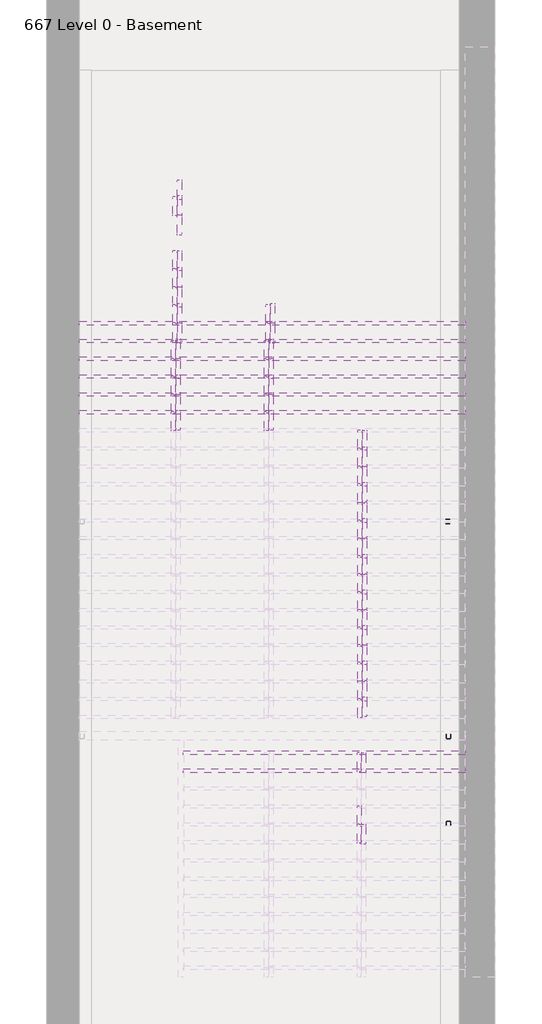
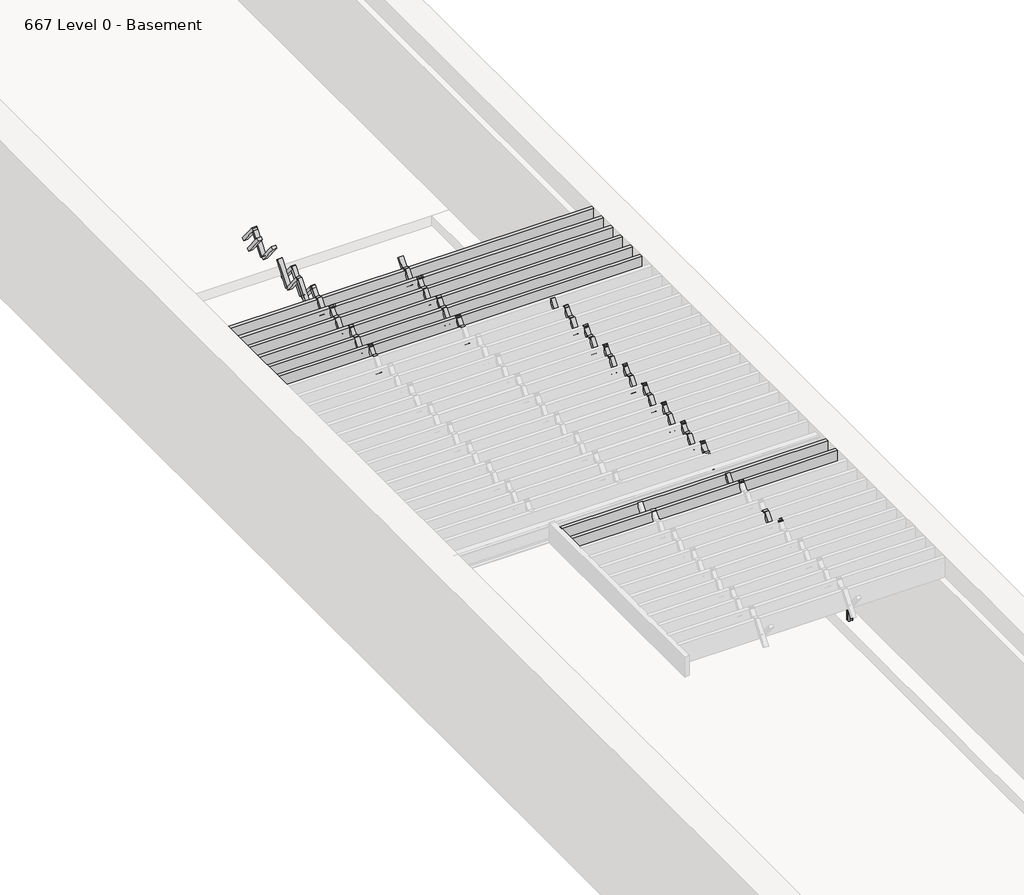
# One storey, part 6 of 19: 83 beams, 3 columns.
"""IFC4 building model written with IfcOpenShell, lengths in millimetres."""

import ifcopenshell
import ifcopenshell.guid

model = None  # the IFC model being written
_history = None  # IfcOwnerHistory: only IFC2X3 demands one
_inside = {}  # id of a spatial element -> (the spatial element, [elements in it])
_under = {}  # id of a project, library or spatial element -> (it, [spatial elements below it])
_declared = {}  # id of a project -> (the project, [libraries it declares])
_typed = {}  # id of a type object -> (the type object, [elements of that type])
_made_of = {}  # id of a material, layer set ... -> (it, [elements and type objects made of it])


def new_model(schema):
    """Start an empty IFC model of exactly this schema.

    Asked for "IFC4X3", IfcOpenShell would pick the latest addendum, in which some entities
    have other attributes; the version numbers below select the first issue.
    IFC2X3 requires an IfcOwnerHistory on every rooted entity: one is made here for all.
    """
    global model, _history
    if schema == "IFC4X3":
        model = ifcopenshell.file(schema_version=(4, 3, 0, 0))
    else:
        model = ifcopenshell.file(schema=schema)
    _inside.clear()
    _under.clear()
    _declared.clear()
    _typed.clear()
    _made_of.clear()
    _history = None
    if model.schema == "IFC2X3":
        org = make("IfcOrganization", Name="unknown")
        user = make(
            "IfcPersonAndOrganization",
            ThePerson=make("IfcPerson", FamilyName="unknown"),
            TheOrganization=org,
        )
        app = make(
            "IfcApplication",
            ApplicationDeveloper=org,
            Version="unknown",
            ApplicationFullName="unknown",
            ApplicationIdentifier="unknown",
        )
        _history = make(
            "IfcOwnerHistory",
            OwningUser=user,
            OwningApplication=app,
            ChangeAction="ADDED",
            CreationDate=0,
        )
    return model


def make(cls, **values):
    """One entity of the class cls with the attributes given. An attribute that is None is left unset."""
    return model.create_entity(
        cls, **{name: value for name, value in values.items() if value is not None}
    )


def rooted(cls, **values):
    """An entity with a GlobalId (a new one), such as an element, a storey or a relation."""
    return make(cls, GlobalId=ifcopenshell.guid.new(), OwnerHistory=_history, **values)


def si_unit(unit_type, name, prefix=None):
    """IfcSIUnit, for example si_unit("LENGTHUNIT", "METRE", prefix="MILLI")."""
    return make("IfcSIUnit", UnitType=unit_type, Prefix=prefix, Name=name)


def assignment(units):
    """IfcUnitAssignment: the units of a project."""
    return None if units is None else make("IfcUnitAssignment", Units=units)


def point(xyz):
    """IfcCartesianPoint."""
    return None if xyz is None else make("IfcCartesianPoint", Coordinates=xyz)


def direction(xyz):
    """IfcDirection."""
    return None if xyz is None else make("IfcDirection", DirectionRatios=xyz)


def frame(location, z_axis=None, x_axis=None):
    """IfcAxis2Placement3D, a coordinate frame: its origin and axes. An axis left out is left unset."""
    return make(
        "IfcAxis2Placement3D",
        Location=point(location),
        Axis=direction(z_axis),
        RefDirection=direction(x_axis),
    )


def frame_2d(location, x_axis=None):
    """IfcAxis2Placement2D, a coordinate frame in the plane: its origin and x axis."""
    return make(
        "IfcAxis2Placement2D", Location=point(location), RefDirection=direction(x_axis)
    )


def origin():
    """The frame at (0, 0, 0) with its axes left unset."""
    return frame((0.0, 0.0, 0.0))


def place(relative_to, where):
    """IfcLocalPlacement: puts the frame where relative to a parent placement (None: the world)."""
    return make(
        "IfcLocalPlacement", PlacementRelTo=relative_to, RelativePlacement=where
    )


def context(
    kind, dimensions, precision=None, world=None, true_north=None, identifier=None
):
    """IfcGeometricRepresentationContext, for example the 3D "Model" context."""
    return make(
        "IfcGeometricRepresentationContext",
        ContextIdentifier=identifier,
        ContextType=kind,
        CoordinateSpaceDimension=dimensions,
        Precision=precision,
        WorldCoordinateSystem=world,
        TrueNorth=true_north,
    )


def project(units=None, contexts=None):
    """IfcProject with its units and contexts."""
    return rooted(
        "IfcProject",
        Name="project",
        RepresentationContexts=contexts,
        UnitsInContext=assignment(units),
    )


def spatial(cls, under=None, at=None, **own):
    """A site, building, storey or space (cls), placed at a placement, below another one or the project."""
    s = rooted(cls, ObjectPlacement=at, **own)
    if under is not None:
        _under.setdefault(under.id(), (under, []))[1].append(s)
    return s


def polyline(points):
    """IfcPolyline through the points."""
    return make("IfcPolyline", Points=[point(p) for p in points])


def circle_curve(where, radius):
    """IfcCircle in the frame where."""
    return make("IfcCircle", Position=where, Radius=radius)


def trimmed(basis, trim1, trim2, sense, master):
    """IfcTrimmedCurve: the piece of a basis curve between two trims."""
    return make(
        "IfcTrimmedCurve",
        BasisCurve=basis,
        Trim1=trim1,
        Trim2=trim2,
        SenseAgreement=sense,
        MasterRepresentation=master,
    )


def segment(curve, same_sense, transition):
    """IfcCompositeCurveSegment."""
    return make(
        "IfcCompositeCurveSegment",
        Transition=transition,
        SameSense=same_sense,
        ParentCurve=curve,
    )


def composite_curve(segments, self_intersect=None):
    """IfcCompositeCurve: segments joined end to end."""
    return make("IfcCompositeCurve", Segments=segments, SelfIntersect=self_intersect)


def outline(outer, holes=None, kind="AREA"):
    """IfcArbitraryClosedProfileDef: a profile drawn as a closed curve; with holes, ...WithVoids."""
    if holes is None:
        return make("IfcArbitraryClosedProfileDef", ProfileType=kind, OuterCurve=outer)
    return make(
        "IfcArbitraryProfileDefWithVoids",
        ProfileType=kind,
        OuterCurve=outer,
        InnerCurves=holes,
    )


def extrude(swept, where, along, depth):
    """IfcExtrudedAreaSolid: the profile swept, set in the frame where, extruded along a direction by depth."""
    return make(
        "IfcExtrudedAreaSolid",
        SweptArea=swept,
        Position=where,
        ExtrudedDirection=direction(along),
        Depth=depth,
    )


def shape(context_of_items, identifier, shape_type, items):
    """IfcShapeRepresentation: the items that make up one representation, for example the "Body"."""
    return make(
        "IfcShapeRepresentation",
        ContextOfItems=context_of_items,
        RepresentationIdentifier=identifier,
        RepresentationType=shape_type,
        Items=items,
    )


def source(mapping_origin, context_of_items, identifier, shape_type, items):
    """IfcRepresentationMap: a shape defined once, which mapped items show again and again."""
    return make(
        "IfcRepresentationMap",
        MappingOrigin=mapping_origin,
        MappedRepresentation=shape(context_of_items, identifier, shape_type, items),
    )


def transform(
    local_origin,
    x_axis=None,
    y_axis=None,
    z_axis=None,
    scale=None,
    scale2=None,
    scale3=None,
    uniform=True,
):
    """IfcCartesianTransformationOperator3D, or its non-uniform kind. x_axis, y_axis, z_axis: its Axis1, 2, 3."""
    if uniform:
        return make(
            "IfcCartesianTransformationOperator3D",
            Axis1=direction(x_axis),
            Axis2=direction(y_axis),
            LocalOrigin=point(local_origin),
            Scale=scale,
            Axis3=direction(z_axis),
        )
    return make(
        "IfcCartesianTransformationOperator3DnonUniform",
        Axis1=direction(x_axis),
        Axis2=direction(y_axis),
        LocalOrigin=point(local_origin),
        Scale=scale,
        Axis3=direction(z_axis),
        Scale2=scale2,
        Scale3=scale3,
    )


def mapped(mapping_source, mapping_target):
    """IfcMappedItem: shows the shape of a source again, moved by a transform."""
    return make(
        "IfcMappedItem", MappingSource=mapping_source, MappingTarget=mapping_target
    )


def made_of(thing, what):
    """Note that an element or type object is made of a material, layer set ...; save() writes the relation."""
    if what is not None:
        _made_of.setdefault(what.id(), (what, []))[1].append(thing)
    return thing


def element(
    cls,
    number,
    at=None,
    inside=None,
    cuts=None,
    type_object=None,
    material=None,
    context=None,
    identifier="Body",
    shape_type=None,
    held_by="IfcProductDefinitionShape",
    body=None,
    shapes=None,
    **own,
):
    """One element of the class cls, such as IfcWall. Its Tag is "e" and its number.

    at: its placement. inside: the storey or other place that contains it. cuts: it is an
    opening in that element (IfcRelVoidsElement). A single representation is given by context,
    identifier, shape_type and body (its items); several are given by shapes. held_by: the class
    of the entity that holds the representations. save() writes the other relations.
    """
    e = rooted(cls, Tag="e%d" % number, ObjectPlacement=at, **own)
    if body is not None:
        shapes = [shape(context, identifier, shape_type, body)]
    if shapes is not None:
        e.Representation = make(held_by, Representations=shapes)
    if inside is not None:
        _inside.setdefault(inside.id(), (inside, []))[1].append(e)
    if cuts is not None:
        rooted(
            "IfcRelVoidsElement", RelatingBuildingElement=cuts, RelatedOpeningElement=e
        )
    if type_object is not None:
        _typed.setdefault(type_object.id(), (type_object, []))[1].append(e)
    return made_of(e, material)


def aggregate(whole, parts):
    """IfcRelAggregates: a whole, such as a stair, and the parts it consists of."""
    return rooted("IfcRelAggregates", RelatingObject=whole, RelatedObjects=parts)


def save(model, path):
    """Write the relations noted so far, then the file.

    IfcRelAggregates (storeys below a building ...), IfcRelContainedInSpatialStructure (elements
    in a storey), IfcRelDefinesByType, IfcRelAssociatesMaterial and IfcRelDeclares: one each for
    every whole, place, type object, material and project.
    """
    for whole, parts in _under.values():
        aggregate(whole, parts)
    for where, things in _inside.values():
        rooted(
            "IfcRelContainedInSpatialStructure",
            RelatedElements=things,
            RelatingStructure=where,
        )
    for kind, things in _typed.values():
        rooted("IfcRelDefinesByType", RelatedObjects=things, RelatingType=kind)
    for what, things in _made_of.values():
        rooted("IfcRelAssociatesMaterial", RelatedObjects=things, RelatingMaterial=what)
    for by, libraries in _declared.values():
        rooted("IfcRelDeclares", RelatingContext=by, RelatedDefinitions=libraries)
    model.write(path)


def beam_e096f4d1(model_context):
    return source(origin(), model_context, "Body", "SweptSolid", [
        extrude(outline(polyline([(3282.95, 31.75), (3282.95, -31.75), (-3282.95, -31.75), (-3282.95, 31.75), (3282.95, 31.75)])), frame((0.0, 0.0, -190.5), z_axis=(0.0, 0.0, 1.0), x_axis=(1.0, 0.0, 0.0)), (0.0, 0.0, 1.0), 381.0),
    ])


def beam_0baead0c(model_context):
    return source(origin(), model_context, "Body", "SweptSolid", [
        extrude(outline(polyline([(2399.4642247, 31.75), (2399.4642247, -31.75), (-2399.4642247, -31.75), (-2399.4642247, 31.75), (2399.4642247, 31.75)])), frame((0.0, 0.0, -190.5), z_axis=(0.0, 0.0, 1.0), x_axis=(1.0, 0.0, 0.0)), (0.0, 0.0, 1.0), 381.0),
    ])


def beam_159ec1f6(model_context):
    return source(origin(), model_context, "Body", "SweptSolid", [
        extrude(outline(polyline([(234.2662022, 25.4), (234.2662022, -25.4), (-234.2662022, -25.4), (-234.2662022, 25.4), (234.2662022, 25.4)])), frame((0.0, 0.0, -38.1), z_axis=(0.0, 0.0, 1.0), x_axis=(1.0, 0.0, 0.0)), (0.0, 0.0, 1.0), 76.2),
    ])


def beam_ee6f6494(model_context):
    return source(origin(), model_context, "Body", "SweptSolid", [
        extrude(outline(polyline([(234.2662022, -25.4), (-234.2662022, -25.4), (-234.2662022, 25.4), (234.2662022, 25.4), (234.2662022, -25.4)])), frame((0.0, 0.0, -38.1), z_axis=(0.0, 0.0, 1.0), x_axis=(1.0, 0.0, 0.0)), (0.0, 0.0, 1.0), 76.2),
    ])


def beam_812954b7(model_context):
    return source(origin(), model_context, "Body", "SweptSolid", [
        extrude(outline(polyline([(239.7234914, -25.4), (-239.7234914, -25.4), (-239.7234914, 25.4), (239.7234914, 25.4), (239.7234914, -25.4)])), frame((0.0, 0.0, -38.1), z_axis=(0.0, 0.0, 1.0), x_axis=(1.0, 0.0, 0.0)), (0.0, 0.0, 1.0), 76.2),
    ])


def beam_bad0900d(model_context):
    return source(origin(), model_context, "Body", "SweptSolid", [
        extrude(outline(polyline([(239.7234914, 25.4), (239.7234914, -25.4), (-239.7234914, -25.4), (-239.7234914, 25.4), (239.7234914, 25.4)])), frame((0.0, 0.0, -38.1), z_axis=(0.0, 0.0, 1.0), x_axis=(1.0, 0.0, 0.0)), (0.0, 0.0, 1.0), 76.2),
    ])


model = new_model("IFC4")

# Units and contexts
model_context = context("Model", 3, world=origin())
ifc_project = project(units=[si_unit("LENGTHUNIT", "METRE", prefix="MILLI")], contexts=[model_context])

# Site, building, storey
site = spatial("IfcSite", under=ifc_project)
building = spatial("IfcBuilding", under=site)
storey = spatial("IfcBuildingStorey", under=building, Name="667 Level 0 - Basement", Elevation=-14122.4)

# Beams
placement = place(None, origin())
beam_shape = beam_e096f4d1(model_context)
element("IfcBeam", 1, ObjectType="Timber : 2 1/2\" x 15\"", at=placement, inside=storey, context=model_context, shape_type="MappedRepresentation", body=[
    mapped(beam_shape, transform((-8760.4469605, 9719.1698142, -11493.5), x_axis=(1.0, 0.0, 0.0), y_axis=(0.0, 1.0, 0.0), z_axis=(0.0, 0.0, 1.0))),
])
element("IfcBeam", 2, ObjectType="Timber : 2 1/2\" x 15\"", at=placement, inside=storey, context=model_context, shape_type="MappedRepresentation", body=[
    mapped(beam_shape, transform((-8760.4469605, 9417.5448142, -11493.5), x_axis=(1.0, 0.0, 0.0), y_axis=(0.0, 1.0, 0.0), z_axis=(0.0, 0.0, 1.0))),
])
element("IfcBeam", 3, ObjectType="Timber : 2 1/2\" x 15\"", at=placement, inside=storey, context=model_context, shape_type="MappedRepresentation", body=[
    mapped(beam_shape, transform((-8760.4469605, 9112.7448142, -11493.5), x_axis=(1.0, 0.0, 0.0), y_axis=(0.0, 1.0, 0.0), z_axis=(0.0, 0.0, 1.0))),
])
element("IfcBeam", 4, ObjectType="Timber : 2 1/2\" x 15\"", at=placement, inside=storey, context=model_context, shape_type="MappedRepresentation", body=[
    mapped(beam_shape, transform((-8760.4469605, 8811.1198142, -11493.5), x_axis=(1.0, 0.0, 0.0), y_axis=(0.0, 1.0, 0.0), z_axis=(0.0, 0.0, 1.0))),
])
element("IfcBeam", 5, ObjectType="Timber : 2 1/2\" x 15\"", at=placement, inside=storey, context=model_context, shape_type="MappedRepresentation", body=[
    mapped(beam_shape, transform((-8760.4469605, 8503.1448142, -11493.5), x_axis=(1.0, 0.0, 0.0), y_axis=(0.0, 1.0, 0.0), z_axis=(0.0, 0.0, 1.0))),
])
element("IfcBeam", 6, ObjectType="Timber : 2 1/2\" x 15\"", at=placement, inside=storey, context=model_context, shape_type="MappedRepresentation", body=[
    mapped(beam_shape, transform((-8760.4469605, 8201.5198142, -11493.5), x_axis=(1.0, 0.0, 0.0), y_axis=(0.0, 1.0, 0.0), z_axis=(0.0, 0.0, 1.0))),
])
beam_2_shape = beam_0baead0c(model_context)
element("IfcBeam", 7, ObjectType="Timber : 2 1/2\" x 15\"", at=placement, inside=storey, context=model_context, shape_type="MappedRepresentation", body=[
    mapped(beam_2_shape, transform((-7876.9611852, 2407.1448142, -11493.5), x_axis=(1.0, 0.0, 0.0), y_axis=(0.0, 1.0, 0.0), z_axis=(0.0, 0.0, 1.0))),
])
element("IfcBeam", 8, ObjectType="Timber : 2 1/2\" x 15\"", at=placement, inside=storey, context=model_context, shape_type="MappedRepresentation", body=[
    mapped(beam_2_shape, transform((-7876.9611852, 2102.3448142, -11493.5), x_axis=(1.0, 0.0, 0.0), y_axis=(0.0, 1.0, 0.0), z_axis=(0.0, 0.0, 1.0))),
])
beam_3_shape = beam_159ec1f6(model_context)
element("IfcBeam", 9, ObjectType="Timber : 2\" x 3\"", at=placement, inside=storey, context=model_context, shape_type="MappedRepresentation", body=[
    mapped(beam_3_shape, transform((-8833.8686476, 9871.6440483, -11484.460198), x_axis=(0.0, 0.6200869173955728, -0.7845331190426929), y_axis=(0.0, -0.7845331190426923, -0.6200869173955735), z_axis=(-1.0, 0.0, 0.0))),
])
element("IfcBeam", 10, ObjectType="Timber : 2\" x 3\"", at=placement, inside=storey, context=model_context, shape_type="MappedRepresentation", body=[
    mapped(beam_3_shape, transform((-8859.2686476, 9265.2190483, -11484.460198), x_axis=(0.0, 0.6200869173955728, -0.7845331190426929), y_axis=(0.0, -0.7845331190426934, -0.6200869173955721), z_axis=(-1.0, 0.0, 0.0))),
])
element("IfcBeam", 11, ObjectType="Timber : 2\" x 3\"", at=placement, inside=storey, context=model_context, shape_type="MappedRepresentation", body=[
    mapped(beam_3_shape, transform((-8859.2686476, 8655.6190483, -11484.460198), x_axis=(0.0, 0.6200869173955728, -0.7845331190426929), y_axis=(0.0, -0.7845331190426934, -0.6200869173955721), z_axis=(-1.0, 0.0, 0.0))),
])
element("IfcBeam", 12, ObjectType="Timber : 2\" x 3\"", at=placement, inside=storey, context=model_context, shape_type="MappedRepresentation", body=[
    mapped(beam_3_shape, transform((-8859.2686476, 8052.3690483, -11484.460198), x_axis=(0.0, 0.6200869173955728, -0.7845331190426929), y_axis=(0.0, -0.7845331190426934, -0.6200869173955721), z_axis=(-1.0, 0.0, 0.0))),
])
element("IfcBeam", 13, ObjectType="Timber : 2\" x 3\"", at=placement, inside=storey, context=model_context, shape_type="MappedRepresentation", body=[
    mapped(beam_3_shape, transform((-7266.0916139, 6826.8190483, -11484.460198), x_axis=(0.0, 0.6200869173955728, -0.7845331190426929), y_axis=(0.0, -0.7845331190426934, -0.6200869173955721), z_axis=(-1.0, 0.0, 0.0))),
])
element("IfcBeam", 14, ObjectType="Timber : 2\" x 3\"", at=placement, inside=storey, context=model_context, shape_type="MappedRepresentation", body=[
    mapped(beam_3_shape, transform((-7266.0916139, 6210.8690483, -11484.460198), x_axis=(0.0, 0.6200869173955728, -0.7845331190426929), y_axis=(0.0, -0.7845331190426934, -0.6200869173955721), z_axis=(-1.0, 0.0, 0.0))),
])
element("IfcBeam", 15, ObjectType="Timber : 2\" x 3\"", at=placement, inside=storey, context=model_context, shape_type="MappedRepresentation", body=[
    mapped(beam_3_shape, transform((-7266.0916139, 5601.2690483, -11484.460198), x_axis=(0.0, 0.6200869173955728, -0.7845331190426929), y_axis=(0.0, -0.7845331190426934, -0.6200869173955721), z_axis=(-1.0, 0.0, 0.0))),
])
element("IfcBeam", 16, ObjectType="Timber : 2\" x 3\"", at=placement, inside=storey, context=model_context, shape_type="MappedRepresentation", body=[
    mapped(beam_3_shape, transform((-7266.0916139, 4994.8440483, -11484.460198), x_axis=(0.0, 0.6200869173955728, -0.7845331190426929), y_axis=(0.0, -0.7845331190426934, -0.6200869173955721), z_axis=(-1.0, 0.0, 0.0))),
])
element("IfcBeam", 17, ObjectType="Timber : 2\" x 3\"", at=placement, inside=storey, context=model_context, shape_type="MappedRepresentation", body=[
    mapped(beam_3_shape, transform((-7266.0916139, 4388.4190483, -11484.460198), x_axis=(0.0, 0.6200869173955728, -0.7845331190426929), y_axis=(0.0, -0.7845331190426934, -0.6200869173955721), z_axis=(-1.0, 0.0, 0.0))),
])
element("IfcBeam", 18, ObjectType="Timber : 2\" x 3\"", at=placement, inside=storey, context=model_context, shape_type="MappedRepresentation", body=[
    mapped(beam_3_shape, transform((-7266.0916139, 3788.3440483, -11484.460198), x_axis=(0.0, 0.6200869173955728, -0.7845331190426929), y_axis=(0.0, -0.7845331190426934, -0.6200869173955721), z_axis=(-1.0, 0.0, 0.0))),
])
element("IfcBeam", 19, ObjectType="Timber : 2\" x 3\"", at=placement, inside=storey, context=model_context, shape_type="MappedRepresentation", body=[
    mapped(beam_3_shape, transform((-7266.0916139, 3172.3940483, -11484.460198), x_axis=(0.0, 0.6200869173955728, -0.7845331190426929), y_axis=(0.0, -0.7845331190426934, -0.6200869173955721), z_axis=(-1.0, 0.0, 0.0))),
])
element("IfcBeam", 20, ObjectType="Timber : 2\" x 3\"", at=placement, inside=storey, context=model_context, shape_type="MappedRepresentation", body=[
    mapped(beam_3_shape, transform((-7266.0916139, 7430.0690483, -11484.460198), x_axis=(0.0, 0.6200869173955728, -0.7845331190426929), y_axis=(0.0, -0.7845331190426934, -0.6200869173955721), z_axis=(-1.0, 0.0, 0.0))),
])
element("IfcBeam", 21, ObjectType="Timber : 2\" x 3\"", at=placement, inside=storey, context=model_context, shape_type="MappedRepresentation", body=[
    mapped(beam_3_shape, transform((-10415.6916139, 11709.9690483, -11484.460198), x_axis=(0.0, 0.6200869173955728, -0.7845331190426929), y_axis=(0.0, -0.7845331190426923, -0.6200869173955735), z_axis=(-1.0, 0.0, 0.0))),
])
element("IfcBeam", 22, ObjectType="Timber : 2\" x 3\"", at=placement, inside=storey, context=model_context, shape_type="MappedRepresentation", body=[
    mapped(beam_3_shape, transform((-10415.6916139, 10484.4190483, -11484.460198), x_axis=(0.0, 0.6200869173955728, -0.7845331190426929), y_axis=(0.0, -0.7845331190426923, -0.6200869173955735), z_axis=(-1.0, 0.0, 0.0))),
])
element("IfcBeam", 23, ObjectType="Timber : 2\" x 3\"", at=placement, inside=storey, context=model_context, shape_type="MappedRepresentation", body=[
    mapped(beam_3_shape, transform((-10415.6916139, 9871.6440483, -11484.460198), x_axis=(0.0, 0.6200869173955728, -0.7845331190426929), y_axis=(0.0, -0.7845331190426923, -0.6200869173955735), z_axis=(-1.0, 0.0, 0.0))),
])
element("IfcBeam", 24, ObjectType="Timber : 2\" x 3\"", at=placement, inside=storey, context=model_context, shape_type="MappedRepresentation", body=[
    mapped(beam_3_shape, transform((-10441.0916139, 9265.2190483, -11484.460198), x_axis=(0.0, 0.6200869173955728, -0.7845331190426929), y_axis=(0.0, -0.7845331190426934, -0.6200869173955721), z_axis=(-1.0, 0.0, 0.0))),
])
element("IfcBeam", 25, ObjectType="Timber : 2\" x 3\"", at=placement, inside=storey, context=model_context, shape_type="MappedRepresentation", body=[
    mapped(beam_3_shape, transform((-10441.0916139, 8655.6190483, -11484.460198), x_axis=(0.0, 0.6200869173955728, -0.7845331190426929), y_axis=(0.0, -0.7845331190426934, -0.6200869173955721), z_axis=(-1.0, 0.0, 0.0))),
])
element("IfcBeam", 26, ObjectType="Timber : 2\" x 3\"", at=placement, inside=storey, context=model_context, shape_type="MappedRepresentation", body=[
    mapped(beam_3_shape, transform((-10441.0916139, 8052.3690483, -11484.460198), x_axis=(0.0, 0.6200869173955728, -0.7845331190426929), y_axis=(0.0, -0.7845331190426934, -0.6200869173955721), z_axis=(-1.0, 0.0, 0.0))),
])
element("IfcBeam", 27, ObjectType="Timber : 2\" x 3\"", at=placement, inside=storey, context=model_context, shape_type="MappedRepresentation", body=[
    mapped(beam_3_shape, transform((-7279.7402219, 1343.5940483, -11484.460198), x_axis=(0.0, 0.6200869173955728, -0.7845331190426929), y_axis=(0.0, -0.7845331190426934, -0.6200869173955721), z_axis=(-1.0, 0.0, 0.0))),
])
beam_4_shape = beam_ee6f6494(model_context)
element("IfcBeam", 28, ObjectType="Timber : 2\" x 3\"", at=placement, inside=storey, context=model_context, shape_type="MappedRepresentation", body=[
    mapped(beam_4_shape, transform((-8833.8686476, 9566.6955801, -11484.460198), x_axis=(0.0, -0.6200869173955728, -0.7845331190426929), y_axis=(0.0, -0.7845331190426934, 0.6200869173955721), z_axis=(-1.0, 0.0, 0.0))),
])
element("IfcBeam", 29, ObjectType="Timber : 2\" x 3\"", at=placement, inside=storey, context=model_context, shape_type="MappedRepresentation", body=[
    mapped(beam_4_shape, transform((-8859.2686476, 8960.2705801, -11484.460198), x_axis=(0.0, -0.6200869173955728, -0.7845331190426929), y_axis=(0.0, -0.7845331190426934, 0.6200869173955721), z_axis=(-1.0, 0.0, 0.0))),
])
element("IfcBeam", 30, ObjectType="Timber : 2\" x 3\"", at=placement, inside=storey, context=model_context, shape_type="MappedRepresentation", body=[
    mapped(beam_4_shape, transform((-8859.2686476, 8350.6705801, -11484.460198), x_axis=(0.0, -0.6200869173955728, -0.7845331190426929), y_axis=(0.0, -0.7845331190426934, 0.6200869173955721), z_axis=(-1.0, 0.0, 0.0))),
])
element("IfcBeam", 31, ObjectType="Timber : 2\" x 3\"", at=placement, inside=storey, context=model_context, shape_type="MappedRepresentation", body=[
    mapped(beam_4_shape, transform((-7266.0916139, 7741.0705801, -11484.460198), x_axis=(0.0, -0.6200869173955728, -0.7845331190426929), y_axis=(0.0, -0.7845331190426934, 0.6200869173955721), z_axis=(-1.0, 0.0, 0.0))),
])
element("IfcBeam", 32, ObjectType="Timber : 2\" x 3\"", at=placement, inside=storey, context=model_context, shape_type="MappedRepresentation", body=[
    mapped(beam_4_shape, transform((-7266.0916139, 7125.1205801, -11484.460198), x_axis=(0.0, -0.6200869173955728, -0.7845331190426929), y_axis=(0.0, -0.7845331190426934, 0.6200869173955721), z_axis=(-1.0, 0.0, 0.0))),
])
element("IfcBeam", 33, ObjectType="Timber : 2\" x 3\"", at=placement, inside=storey, context=model_context, shape_type="MappedRepresentation", body=[
    mapped(beam_4_shape, transform((-7266.0916139, 6509.1705801, -11484.460198), x_axis=(0.0, -0.6200869173955728, -0.7845331190426929), y_axis=(0.0, -0.7845331190426934, 0.6200869173955721), z_axis=(-1.0, 0.0, 0.0))),
])
element("IfcBeam", 34, ObjectType="Timber : 2\" x 3\"", at=placement, inside=storey, context=model_context, shape_type="MappedRepresentation", body=[
    mapped(beam_4_shape, transform((-7266.0916139, 5899.5705801, -11484.460198), x_axis=(0.0, -0.6200869173955728, -0.7845331190426929), y_axis=(0.0, -0.7845331190426934, 0.6200869173955721), z_axis=(-1.0, 0.0, 0.0))),
])
element("IfcBeam", 35, ObjectType="Timber : 2\" x 3\"", at=placement, inside=storey, context=model_context, shape_type="MappedRepresentation", body=[
    mapped(beam_4_shape, transform((-7266.0916139, 5293.1455801, -11484.460198), x_axis=(0.0, -0.6200869173955728, -0.7845331190426929), y_axis=(0.0, -0.7845331190426934, 0.6200869173955721), z_axis=(-1.0, 0.0, 0.0))),
])
element("IfcBeam", 36, ObjectType="Timber : 2\" x 3\"", at=placement, inside=storey, context=model_context, shape_type="MappedRepresentation", body=[
    mapped(beam_4_shape, transform((-7266.0916139, 4686.7205801, -11484.460198), x_axis=(0.0, -0.6200869173955728, -0.7845331190426929), y_axis=(0.0, -0.7845331190426934, 0.6200869173955721), z_axis=(-1.0, 0.0, 0.0))),
])
element("IfcBeam", 37, ObjectType="Timber : 2\" x 3\"", at=placement, inside=storey, context=model_context, shape_type="MappedRepresentation", body=[
    mapped(beam_4_shape, transform((-7266.0916139, 4086.6455801, -11484.460198), x_axis=(0.0, -0.6200869173955728, -0.7845331190426929), y_axis=(0.0, -0.7845331190426934, 0.6200869173955721), z_axis=(-1.0, 0.0, 0.0))),
])
element("IfcBeam", 38, ObjectType="Timber : 2\" x 3\"", at=placement, inside=storey, context=model_context, shape_type="MappedRepresentation", body=[
    mapped(beam_4_shape, transform((-7266.0916139, 3470.6955801, -11484.460198), x_axis=(0.0, -0.6200869173955728, -0.7845331190426929), y_axis=(0.0, -0.7845331190426934, 0.6200869173955721), z_axis=(-1.0, 0.0, 0.0))),
])
element("IfcBeam", 39, ObjectType="Timber : 2\" x 3\"", at=placement, inside=storey, context=model_context, shape_type="MappedRepresentation", body=[
    mapped(beam_4_shape, transform((-10415.6916139, 10798.5955801, -11484.460198), x_axis=(0.0, -0.6200869173955728, -0.7845331190426929), y_axis=(0.0, -0.7845331190426923, 0.6200869173955735), z_axis=(-1.0, 0.0, 0.0))),
])
element("IfcBeam", 40, ObjectType="Timber : 2\" x 3\"", at=placement, inside=storey, context=model_context, shape_type="MappedRepresentation", body=[
    mapped(beam_4_shape, transform((-10415.6916139, 10179.4705801, -11484.460198), x_axis=(0.0, -0.6200869173955728, -0.7845331190426929), y_axis=(0.0, -0.7845331190426923, 0.6200869173955735), z_axis=(-1.0, 0.0, 0.0))),
])
element("IfcBeam", 41, ObjectType="Timber : 2\" x 3\"", at=placement, inside=storey, context=model_context, shape_type="MappedRepresentation", body=[
    mapped(beam_4_shape, transform((-10415.6916139, 9566.6955801, -11484.460198), x_axis=(0.0, -0.6200869173955728, -0.7845331190426929), y_axis=(0.0, -0.7845331190426934, 0.6200869173955721), z_axis=(-1.0, 0.0, 0.0))),
])
element("IfcBeam", 42, ObjectType="Timber : 2\" x 3\"", at=placement, inside=storey, context=model_context, shape_type="MappedRepresentation", body=[
    mapped(beam_4_shape, transform((-10441.0916139, 8960.2705801, -11484.460198), x_axis=(0.0, -0.6200869173955728, -0.7845331190426929), y_axis=(0.0, -0.7845331190426934, 0.6200869173955721), z_axis=(-1.0, 0.0, 0.0))),
])
element("IfcBeam", 43, ObjectType="Timber : 2\" x 3\"", at=placement, inside=storey, context=model_context, shape_type="MappedRepresentation", body=[
    mapped(beam_4_shape, transform((-10441.0916139, 8350.6705801, -11484.460198), x_axis=(0.0, -0.6200869173955728, -0.7845331190426929), y_axis=(0.0, -0.7845331190426934, 0.6200869173955721), z_axis=(-1.0, 0.0, 0.0))),
])
element("IfcBeam", 44, ObjectType="Timber : 2\" x 3\"", at=placement, inside=storey, context=model_context, shape_type="MappedRepresentation", body=[
    mapped(beam_4_shape, transform((-7279.7402219, 2251.4955801, -11484.460198), x_axis=(0.0, -0.6200869173955728, -0.7845331190426929), y_axis=(0.0, -0.7845331190426934, 0.6200869173955721), z_axis=(-1.0, 0.0, 0.0))),
])
element("IfcBeam", 45, ObjectType="Timber : 2\" x 3\"", at=placement, inside=storey, context=model_context, shape_type="MappedRepresentation", body=[
    mapped(beam_4_shape, transform((-7279.7402219, 1032.2955801, -11484.460198), x_axis=(0.0, -0.6200869173955728, -0.7845331190426929), y_axis=(0.0, -0.7845331190426934, 0.6200869173955721), z_axis=(-1.0, 0.0, 0.0))),
])
beam_5_shape = beam_812954b7(model_context)
element("IfcBeam", 46, ObjectType="Timber : 2\" x 3\"", at=placement, inside=storey, context=model_context, shape_type="MappedRepresentation", body=[
    mapped(beam_5_shape, transform((-8757.6686476, 9886.8056881, -11481.7151189), x_axis=(0.0, -0.6293203910498333, -0.7771459614569742), y_axis=(0.0, -0.7771459614569736, 0.6293203910498343), z_axis=(-1.0, 0.0, 0.0))),
])
element("IfcBeam", 47, ObjectType="Timber : 2\" x 3\"", at=placement, inside=storey, context=model_context, shape_type="MappedRepresentation", body=[
    mapped(beam_5_shape, transform((-8783.0686476, 9280.3806881, -11481.7151189), x_axis=(0.0, -0.6293203910498333, -0.7771459614569742), y_axis=(0.0, -0.7771459614569736, 0.6293203910498343), z_axis=(-1.0, 0.0, 0.0))),
])
element("IfcBeam", 48, ObjectType="Timber : 2\" x 3\"", at=placement, inside=storey, context=model_context, shape_type="MappedRepresentation", body=[
    mapped(beam_5_shape, transform((-8783.0686476, 8670.7806881, -11481.7151189), x_axis=(0.0, -0.6293203910498333, -0.7771459614569742), y_axis=(0.0, -0.7771459614569736, 0.6293203910498343), z_axis=(-1.0, 0.0, 0.0))),
])
element("IfcBeam", 49, ObjectType="Timber : 2\" x 3\"", at=placement, inside=storey, context=model_context, shape_type="MappedRepresentation", body=[
    mapped(beam_5_shape, transform((-8783.0686476, 8067.5306881, -11481.7151189), x_axis=(0.0, -0.6293203910498333, -0.7771459614569742), y_axis=(0.0, -0.7771459614569736, 0.6293203910498343), z_axis=(-1.0, 0.0, 0.0))),
])
element("IfcBeam", 50, ObjectType="Timber : 2\" x 3\"", at=placement, inside=storey, context=model_context, shape_type="MappedRepresentation", body=[
    mapped(beam_5_shape, transform((-7189.8916139, 6841.9806881, -11481.7151189), x_axis=(0.0, -0.6293203910498333, -0.7771459614569742), y_axis=(0.0, -0.7771459614569736, 0.6293203910498343), z_axis=(-1.0, 0.0, 0.0))),
])
element("IfcBeam", 51, ObjectType="Timber : 2\" x 3\"", at=placement, inside=storey, context=model_context, shape_type="MappedRepresentation", body=[
    mapped(beam_5_shape, transform((-7189.8916139, 6226.0306881, -11481.7151189), x_axis=(0.0, -0.6293203910498333, -0.7771459614569742), y_axis=(0.0, -0.7771459614569736, 0.6293203910498343), z_axis=(-1.0, 0.0, 0.0))),
])
element("IfcBeam", 52, ObjectType="Timber : 2\" x 3\"", at=placement, inside=storey, context=model_context, shape_type="MappedRepresentation", body=[
    mapped(beam_5_shape, transform((-7189.8916139, 5616.4306881, -11481.7151189), x_axis=(0.0, -0.6293203910498333, -0.7771459614569742), y_axis=(0.0, -0.7771459614569736, 0.6293203910498343), z_axis=(-1.0, 0.0, 0.0))),
])
element("IfcBeam", 53, ObjectType="Timber : 2\" x 3\"", at=placement, inside=storey, context=model_context, shape_type="MappedRepresentation", body=[
    mapped(beam_5_shape, transform((-7189.8916139, 5010.0056881, -11481.7151189), x_axis=(0.0, -0.6293203910498333, -0.7771459614569742), y_axis=(0.0, -0.7771459614569736, 0.6293203910498343), z_axis=(-1.0, 0.0, 0.0))),
])
element("IfcBeam", 54, ObjectType="Timber : 2\" x 3\"", at=placement, inside=storey, context=model_context, shape_type="MappedRepresentation", body=[
    mapped(beam_5_shape, transform((-7189.8916139, 4403.5806881, -11481.7151189), x_axis=(0.0, -0.6293203910498333, -0.7771459614569742), y_axis=(0.0, -0.7771459614569736, 0.6293203910498343), z_axis=(-1.0, 0.0, 0.0))),
])
element("IfcBeam", 55, ObjectType="Timber : 2\" x 3\"", at=placement, inside=storey, context=model_context, shape_type="MappedRepresentation", body=[
    mapped(beam_5_shape, transform((-7189.8916139, 3803.5056881, -11481.7151189), x_axis=(0.0, -0.6293203910498333, -0.7771459614569742), y_axis=(0.0, -0.7771459614569736, 0.6293203910498343), z_axis=(-1.0, 0.0, 0.0))),
])
element("IfcBeam", 56, ObjectType="Timber : 2\" x 3\"", at=placement, inside=storey, context=model_context, shape_type="MappedRepresentation", body=[
    mapped(beam_5_shape, transform((-7189.8916139, 3187.5556881, -11481.7151189), x_axis=(0.0, -0.6293203910498333, -0.7771459614569742), y_axis=(0.0, -0.7771459614569736, 0.6293203910498343), z_axis=(-1.0, 0.0, 0.0))),
])
element("IfcBeam", 57, ObjectType="Timber : 2\" x 3\"", at=placement, inside=storey, context=model_context, shape_type="MappedRepresentation", body=[
    mapped(beam_5_shape, transform((-7189.8916139, 7445.2306881, -11481.7151189), x_axis=(0.0, -0.6293203910498333, -0.7771459614569742), y_axis=(0.0, -0.7771459614569736, 0.6293203910498343), z_axis=(-1.0, 0.0, 0.0))),
])
element("IfcBeam", 58, ObjectType="Timber : 2\" x 3\"", at=placement, inside=storey, context=model_context, shape_type="MappedRepresentation", body=[
    mapped(beam_5_shape, transform((-10339.4916139, 11725.1306881, -11481.7151189), x_axis=(0.0, -0.6293203910498333, -0.7771459614569742), y_axis=(0.0, -0.7771459614569747, 0.6293203910498328), z_axis=(-1.0, 0.0, 0.0))),
])
element("IfcBeam", 59, ObjectType="Timber : 2\" x 3\"", at=placement, inside=storey, context=model_context, shape_type="MappedRepresentation", body=[
    mapped(beam_5_shape, transform((-10339.4916139, 10499.5806881, -11481.7151189), x_axis=(0.0, -0.6293203910498333, -0.7771459614569742), y_axis=(0.0, -0.7771459614569747, 0.6293203910498328), z_axis=(-1.0, 0.0, 0.0))),
])
element("IfcBeam", 60, ObjectType="Timber : 2\" x 3\"", at=placement, inside=storey, context=model_context, shape_type="MappedRepresentation", body=[
    mapped(beam_5_shape, transform((-10339.4916139, 9886.8056881, -11481.7151189), x_axis=(0.0, -0.6293203910498333, -0.7771459614569742), y_axis=(0.0, -0.7771459614569736, 0.6293203910498343), z_axis=(-1.0, 0.0, 0.0))),
])
element("IfcBeam", 61, ObjectType="Timber : 2\" x 3\"", at=placement, inside=storey, context=model_context, shape_type="MappedRepresentation", body=[
    mapped(beam_5_shape, transform((-10364.8916139, 9280.3806881, -11481.7151189), x_axis=(0.0, -0.6293203910498333, -0.7771459614569742), y_axis=(0.0, -0.7771459614569736, 0.6293203910498343), z_axis=(-1.0, 0.0, 0.0))),
])
element("IfcBeam", 62, ObjectType="Timber : 2\" x 3\"", at=placement, inside=storey, context=model_context, shape_type="MappedRepresentation", body=[
    mapped(beam_5_shape, transform((-10364.8916139, 8670.7806881, -11481.7151189), x_axis=(0.0, -0.6293203910498333, -0.7771459614569742), y_axis=(0.0, -0.7771459614569736, 0.6293203910498343), z_axis=(-1.0, 0.0, 0.0))),
])
element("IfcBeam", 63, ObjectType="Timber : 2\" x 3\"", at=placement, inside=storey, context=model_context, shape_type="MappedRepresentation", body=[
    mapped(beam_5_shape, transform((-10364.8916139, 8067.5306881, -11481.7151189), x_axis=(0.0, -0.6293203910498333, -0.7771459614569742), y_axis=(0.0, -0.7771459614569736, 0.6293203910498343), z_axis=(-1.0, 0.0, 0.0))),
])
beam_6_shape = beam_bad0900d(model_context)
element("IfcBeam", 64, ObjectType="Timber : 2\" x 3\"", at=placement, inside=storey, context=model_context, shape_type="MappedRepresentation", body=[
    mapped(beam_6_shape, transform((-8757.6686476, 9551.5339403, -11481.7151189), x_axis=(0.0, 0.6293203910498333, -0.7771459614569742), y_axis=(0.0, -0.7771459614569736, -0.6293203910498343), z_axis=(-1.0, 0.0, 0.0))),
])
element("IfcBeam", 65, ObjectType="Timber : 2\" x 3\"", at=placement, inside=storey, context=model_context, shape_type="MappedRepresentation", body=[
    mapped(beam_6_shape, transform((-8783.0686476, 8945.1089403, -11481.7151189), x_axis=(0.0, 0.6293203910498333, -0.7771459614569742), y_axis=(0.0, -0.7771459614569736, -0.6293203910498343), z_axis=(-1.0, 0.0, 0.0))),
])
element("IfcBeam", 66, ObjectType="Timber : 2\" x 3\"", at=placement, inside=storey, context=model_context, shape_type="MappedRepresentation", body=[
    mapped(beam_6_shape, transform((-8783.0686476, 8335.5089403, -11481.7151189), x_axis=(0.0, 0.6293203910498333, -0.7771459614569742), y_axis=(0.0, -0.7771459614569736, -0.6293203910498343), z_axis=(-1.0, 0.0, 0.0))),
])
element("IfcBeam", 67, ObjectType="Timber : 2\" x 3\"", at=placement, inside=storey, context=model_context, shape_type="MappedRepresentation", body=[
    mapped(beam_6_shape, transform((-7189.8916139, 7725.9089403, -11481.7151189), x_axis=(0.0, 0.6293203910498333, -0.7771459614569742), y_axis=(0.0, -0.7771459614569736, -0.6293203910498343), z_axis=(-1.0, 0.0, 0.0))),
])
element("IfcBeam", 68, ObjectType="Timber : 2\" x 3\"", at=placement, inside=storey, context=model_context, shape_type="MappedRepresentation", body=[
    mapped(beam_6_shape, transform((-7189.8916139, 7109.9589403, -11481.7151189), x_axis=(0.0, 0.6293203910498333, -0.7771459614569742), y_axis=(0.0, -0.7771459614569736, -0.6293203910498343), z_axis=(-1.0, 0.0, 0.0))),
])
element("IfcBeam", 69, ObjectType="Timber : 2\" x 3\"", at=placement, inside=storey, context=model_context, shape_type="MappedRepresentation", body=[
    mapped(beam_6_shape, transform((-7189.8916139, 6494.0089403, -11481.7151189), x_axis=(0.0, 0.6293203910498333, -0.7771459614569742), y_axis=(0.0, -0.7771459614569736, -0.6293203910498343), z_axis=(-1.0, 0.0, 0.0))),
])
element("IfcBeam", 70, ObjectType="Timber : 2\" x 3\"", at=placement, inside=storey, context=model_context, shape_type="MappedRepresentation", body=[
    mapped(beam_6_shape, transform((-7189.8916139, 5884.4089403, -11481.7151189), x_axis=(0.0, 0.6293203910498333, -0.7771459614569742), y_axis=(0.0, -0.7771459614569736, -0.6293203910498343), z_axis=(-1.0, 0.0, 0.0))),
])
element("IfcBeam", 71, ObjectType="Timber : 2\" x 3\"", at=placement, inside=storey, context=model_context, shape_type="MappedRepresentation", body=[
    mapped(beam_6_shape, transform((-7189.8916139, 5277.9839403, -11481.7151189), x_axis=(0.0, 0.6293203910498333, -0.7771459614569742), y_axis=(0.0, -0.7771459614569736, -0.6293203910498343), z_axis=(-1.0, 0.0, 0.0))),
])
element("IfcBeam", 72, ObjectType="Timber : 2\" x 3\"", at=placement, inside=storey, context=model_context, shape_type="MappedRepresentation", body=[
    mapped(beam_6_shape, transform((-7189.8916139, 4671.5589403, -11481.7151189), x_axis=(0.0, 0.6293203910498333, -0.7771459614569742), y_axis=(0.0, -0.7771459614569736, -0.6293203910498343), z_axis=(-1.0, 0.0, 0.0))),
])
element("IfcBeam", 73, ObjectType="Timber : 2\" x 3\"", at=placement, inside=storey, context=model_context, shape_type="MappedRepresentation", body=[
    mapped(beam_6_shape, transform((-7189.8916139, 4071.4839403, -11481.7151189), x_axis=(0.0, 0.6293203910498333, -0.7771459614569742), y_axis=(0.0, -0.7771459614569736, -0.6293203910498343), z_axis=(-1.0, 0.0, 0.0))),
])
element("IfcBeam", 74, ObjectType="Timber : 2\" x 3\"", at=placement, inside=storey, context=model_context, shape_type="MappedRepresentation", body=[
    mapped(beam_6_shape, transform((-7189.8916139, 3455.5339403, -11481.7151189), x_axis=(0.0, 0.6293203910498333, -0.7771459614569742), y_axis=(0.0, -0.7771459614569736, -0.6293203910498343), z_axis=(-1.0, 0.0, 0.0))),
])
element("IfcBeam", 75, ObjectType="Timber : 2\" x 3\"", at=placement, inside=storey, context=model_context, shape_type="MappedRepresentation", body=[
    mapped(beam_6_shape, transform((-10339.4916139, 11993.1089403, -11481.7151189), x_axis=(0.0, 0.6293203910498333, -0.7771459614569742), y_axis=(0.0, -0.7771459614569747, -0.6293203910498328), z_axis=(-1.0, 0.0, 0.0))),
])
element("IfcBeam", 76, ObjectType="Timber : 2\" x 3\"", at=placement, inside=storey, context=model_context, shape_type="MappedRepresentation", body=[
    mapped(beam_6_shape, transform((-10339.4916139, 11389.8589403, -11481.7151189), x_axis=(0.0, 0.6293203910498333, -0.7771459614569742), y_axis=(0.0, -0.7771459614569747, -0.6293203910498328), z_axis=(-1.0, 0.0, 0.0))),
])
element("IfcBeam", 77, ObjectType="Timber : 2\" x 3\"", at=placement, inside=storey, context=model_context, shape_type="MappedRepresentation", body=[
    mapped(beam_6_shape, transform((-10339.4916139, 10783.4339403, -11481.7151189), x_axis=(0.0, 0.6293203910498333, -0.7771459614569742), y_axis=(0.0, -0.7771459614569747, -0.6293203910498328), z_axis=(-1.0, 0.0, 0.0))),
])
element("IfcBeam", 78, ObjectType="Timber : 2\" x 3\"", at=placement, inside=storey, context=model_context, shape_type="MappedRepresentation", body=[
    mapped(beam_6_shape, transform((-10339.4916139, 10164.3089403, -11481.7151189), x_axis=(0.0, 0.6293203910498333, -0.7771459614569742), y_axis=(0.0, -0.7771459614569747, -0.6293203910498328), z_axis=(-1.0, 0.0, 0.0))),
])
element("IfcBeam", 79, ObjectType="Timber : 2\" x 3\"", at=placement, inside=storey, context=model_context, shape_type="MappedRepresentation", body=[
    mapped(beam_6_shape, transform((-10339.4916139, 9551.5339403, -11481.7151189), x_axis=(0.0, 0.6293203910498333, -0.7771459614569742), y_axis=(0.0, -0.7771459614569736, -0.6293203910498343), z_axis=(-1.0, 0.0, 0.0))),
])
element("IfcBeam", 80, ObjectType="Timber : 2\" x 3\"", at=placement, inside=storey, context=model_context, shape_type="MappedRepresentation", body=[
    mapped(beam_6_shape, transform((-10364.8916139, 8945.1089403, -11481.7151189), x_axis=(0.0, 0.6293203910498333, -0.7771459614569742), y_axis=(0.0, -0.7771459614569736, -0.6293203910498343), z_axis=(-1.0, 0.0, 0.0))),
])
element("IfcBeam", 81, ObjectType="Timber : 2\" x 3\"", at=placement, inside=storey, context=model_context, shape_type="MappedRepresentation", body=[
    mapped(beam_6_shape, transform((-10364.8916139, 8335.5089403, -11481.7151189), x_axis=(0.0, 0.6293203910498333, -0.7771459614569742), y_axis=(0.0, -0.7771459614569736, -0.6293203910498343), z_axis=(-1.0, 0.0, 0.0))),
])
element("IfcBeam", 82, ObjectType="Timber : 2\" x 3\"", at=placement, inside=storey, context=model_context, shape_type="MappedRepresentation", body=[
    mapped(beam_6_shape, transform((-7203.5402219, 2236.3339403, -11481.7151189), x_axis=(0.0, 0.6293203910498333, -0.7771459614569742), y_axis=(0.0, -0.7771459614569738, -0.6293203910498338), z_axis=(-1.0, 0.0, 0.0))),
])
element("IfcBeam", 83, ObjectType="Timber : 2\" x 3\"", at=placement, inside=storey, context=model_context, shape_type="MappedRepresentation", body=[
    mapped(beam_6_shape, transform((-7203.5402219, 1017.1339403, -11481.7151189), x_axis=(0.0, 0.6293203910498333, -0.7771459614569742), y_axis=(0.0, -0.7771459614569738, -0.6293203910498338), z_axis=(-1.0, 0.0, 0.0))),
])

# Columns
element("IfcColumn", 84, ObjectType="HSS-Hollow Structural Section-Column : 3\" x 3\"", at=placement, inside=storey, context=model_context, shape_type="SweptSolid", body=[
    extrude(outline(composite_curve([segment(trimmed(circle_curve(frame_2d((-5735.3957962, 1226.2320069)), 12.7), [point((-5735.3957962, 1238.9320069))], [point((-5722.6957962, 1226.2320069))], False, "CARTESIAN"), True, "CONTINUOUS"), segment(polyline([(-5722.6957962, 1226.2320069), (-5722.6957962, 1175.4320069)]), True, "CONTINUOUS"), segment(trimmed(circle_curve(frame_2d((-5735.3957962, 1175.4320069)), 12.7), [point((-5722.6957962, 1175.4320069))], [point((-5735.3957962, 1162.7320069))], False, "CARTESIAN"), True, "CONTINUOUS"), segment(polyline([(-5735.3957962, 1162.7320069), (-5786.1957962, 1162.7320069)]), True, "CONTINUOUS"), segment(trimmed(circle_curve(frame_2d((-5786.1957962, 1175.4320069)), 12.7), [point((-5786.1957962, 1162.7320069))], [point((-5798.8957962, 1175.4320069))], False, "CARTESIAN"), True, "CONTINUOUS"), segment(polyline([(-5798.8957962, 1175.4320069), (-5798.8957962, 1226.2320069)]), True, "CONTINUOUS"), segment(trimmed(circle_curve(frame_2d((-5786.1957962, 1226.2320069)), 12.7), [point((-5798.8957962, 1226.2320069))], [point((-5786.1957962, 1238.9320069))], False, "CARTESIAN"), True, "CONTINUOUS"), segment(polyline([(-5786.1957962, 1238.9320069), (-5735.3957962, 1238.9320069)]), True, "CONTINUOUS")], self_intersect=False), holes=[composite_curve([segment(polyline([(-5735.3957962, 1232.5820069), (-5786.1957962, 1232.5820069)]), True, "CONTINUOUS"), segment(trimmed(circle_curve(frame_2d((-5786.1957962, 1226.2320069)), 6.35), [point((-5786.1957962, 1232.5820069))], [point((-5792.5457962, 1226.2320069))], True, "CARTESIAN"), True, "CONTINUOUS"), segment(polyline([(-5792.5457962, 1226.2320069), (-5792.5457962, 1175.4320069)]), True, "CONTINUOUS"), segment(trimmed(circle_curve(frame_2d((-5786.1957962, 1175.4320069)), 6.35), [point((-5792.5457962, 1175.4320069))], [point((-5786.1957962, 1169.0820069))], True, "CARTESIAN"), True, "CONTINUOUS"), segment(polyline([(-5786.1957962, 1169.0820069), (-5735.3957962, 1169.0820069)]), True, "CONTINUOUS"), segment(trimmed(circle_curve(frame_2d((-5735.3957962, 1175.4320069)), 6.35), [point((-5735.3957962, 1169.0820069))], [point((-5729.0457962, 1175.4320069))], True, "CARTESIAN"), True, "CONTINUOUS"), segment(polyline([(-5729.0457962, 1175.4320069), (-5729.0457962, 1226.2320069)]), True, "CONTINUOUS"), segment(trimmed(circle_curve(frame_2d((-5735.3957962, 1226.2320069)), 6.35), [point((-5729.0457962, 1226.2320069))], [point((-5735.3957962, 1232.5820069))], True, "CARTESIAN"), True, "CONTINUOUS")], self_intersect=False)]), frame((0.0, 0.0, -13903.3809584), z_axis=(0.0, 0.0, 1.0), x_axis=(1.0, 0.0, 0.0)), (0.0, 0.0, 1.0), 2216.2059584),
])
element("IfcColumn", 85, ObjectType="HSS-Hollow Structural Section-Column : 3\" x 3\"", at=placement, inside=storey, context=model_context, shape_type="SweptSolid", body=[
    extrude(outline(composite_curve([segment(trimmed(circle_curve(frame_2d((-5735.3957962, 2712.1320069)), 12.7), [point((-5735.3957962, 2724.8320069))], [point((-5722.6957962, 2712.1320069))], False, "CARTESIAN"), True, "CONTINUOUS"), segment(polyline([(-5722.6957962, 2712.1320069), (-5722.6957962, 2661.3320069)]), True, "CONTINUOUS"), segment(trimmed(circle_curve(frame_2d((-5735.3957962, 2661.3320069)), 12.7), [point((-5722.6957962, 2661.3320069))], [point((-5735.3957962, 2648.6320069))], False, "CARTESIAN"), True, "CONTINUOUS"), segment(polyline([(-5735.3957962, 2648.6320069), (-5786.1957962, 2648.6320069)]), True, "CONTINUOUS"), segment(trimmed(circle_curve(frame_2d((-5786.1957962, 2661.3320069)), 12.7), [point((-5786.1957962, 2648.6320069))], [point((-5798.8957962, 2661.3320069))], False, "CARTESIAN"), True, "CONTINUOUS"), segment(polyline([(-5798.8957962, 2661.3320069), (-5798.8957962, 2712.1320069)]), True, "CONTINUOUS"), segment(trimmed(circle_curve(frame_2d((-5786.1957962, 2712.1320069)), 12.7), [point((-5798.8957962, 2712.1320069))], [point((-5786.1957962, 2724.8320069))], False, "CARTESIAN"), True, "CONTINUOUS"), segment(polyline([(-5786.1957962, 2724.8320069), (-5735.3957962, 2724.8320069)]), True, "CONTINUOUS")], self_intersect=False), holes=[composite_curve([segment(polyline([(-5735.3957962, 2718.4820069), (-5786.1957962, 2718.4820069)]), True, "CONTINUOUS"), segment(trimmed(circle_curve(frame_2d((-5786.1957962, 2712.1320069)), 6.35), [point((-5786.1957962, 2718.4820069))], [point((-5792.5457962, 2712.1320069))], True, "CARTESIAN"), True, "CONTINUOUS"), segment(polyline([(-5792.5457962, 2712.1320069), (-5792.5457962, 2661.3320069)]), True, "CONTINUOUS"), segment(trimmed(circle_curve(frame_2d((-5786.1957962, 2661.3320069)), 6.35), [point((-5792.5457962, 2661.3320069))], [point((-5786.1957962, 2654.9820069))], True, "CARTESIAN"), True, "CONTINUOUS"), segment(polyline([(-5786.1957962, 2654.9820069), (-5735.3957962, 2654.9820069)]), True, "CONTINUOUS"), segment(trimmed(circle_curve(frame_2d((-5735.3957962, 2661.3320069)), 6.35), [point((-5735.3957962, 2654.9820069))], [point((-5729.0457962, 2661.3320069))], True, "CARTESIAN"), True, "CONTINUOUS"), segment(polyline([(-5729.0457962, 2661.3320069), (-5729.0457962, 2712.1320069)]), True, "CONTINUOUS"), segment(trimmed(circle_curve(frame_2d((-5735.3957962, 2712.1320069)), 6.35), [point((-5729.0457962, 2712.1320069))], [point((-5735.3957962, 2718.4820069))], True, "CARTESIAN"), True, "CONTINUOUS")], self_intersect=False)]), frame((0.0, 0.0, -13903.3809584), z_axis=(0.0, 0.0, 1.0), x_axis=(1.0, 0.0, 0.0)), (0.0, 0.0, 1.0), 2216.2059584),
])
element("IfcColumn", 86, ObjectType="HSS-Hollow Structural Section-Column : 3\" x 3\"", at=placement, inside=storey, context=model_context, shape_type="SweptSolid", body=[
    extrude(outline(composite_curve([segment(trimmed(circle_curve(frame_2d((-5748.0957962, 6369.7320069)), 12.7), [point((-5748.0957962, 6382.4320069))], [point((-5735.3957962, 6369.7320069))], False, "CARTESIAN"), True, "CONTINUOUS"), segment(polyline([(-5735.3957962, 6369.7320069), (-5735.3957962, 6318.9320069)]), True, "CONTINUOUS"), segment(trimmed(circle_curve(frame_2d((-5748.0957962, 6318.9320069)), 12.7), [point((-5735.3957962, 6318.9320069))], [point((-5748.0957962, 6306.2320069))], False, "CARTESIAN"), True, "CONTINUOUS"), segment(polyline([(-5748.0957962, 6306.2320069), (-5798.8957962, 6306.2320069)]), True, "CONTINUOUS"), segment(trimmed(circle_curve(frame_2d((-5798.8957962, 6318.9320069)), 12.7), [point((-5798.8957962, 6306.2320069))], [point((-5811.5957962, 6318.9320069))], False, "CARTESIAN"), True, "CONTINUOUS"), segment(polyline([(-5811.5957962, 6318.9320069), (-5811.5957962, 6369.7320069)]), True, "CONTINUOUS"), segment(trimmed(circle_curve(frame_2d((-5798.8957962, 6369.7320069)), 12.7), [point((-5811.5957962, 6369.7320069))], [point((-5798.8957962, 6382.4320069))], False, "CARTESIAN"), True, "CONTINUOUS"), segment(polyline([(-5798.8957962, 6382.4320069), (-5748.0957962, 6382.4320069)]), True, "CONTINUOUS")], self_intersect=False), holes=[composite_curve([segment(polyline([(-5748.0957962, 6376.0820069), (-5798.8957962, 6376.0820069)]), True, "CONTINUOUS"), segment(trimmed(circle_curve(frame_2d((-5798.8957962, 6369.7320069)), 6.35), [point((-5798.8957962, 6376.0820069))], [point((-5805.2457962, 6369.7320069))], True, "CARTESIAN"), True, "CONTINUOUS"), segment(polyline([(-5805.2457962, 6369.7320069), (-5805.2457962, 6318.9320069)]), True, "CONTINUOUS"), segment(trimmed(circle_curve(frame_2d((-5798.8957962, 6318.9320069)), 6.35), [point((-5805.2457962, 6318.9320069))], [point((-5798.8957962, 6312.5820069))], True, "CARTESIAN"), True, "CONTINUOUS"), segment(polyline([(-5798.8957962, 6312.5820069), (-5748.0957962, 6312.5820069)]), True, "CONTINUOUS"), segment(trimmed(circle_curve(frame_2d((-5748.0957962, 6318.9320069)), 6.35), [point((-5748.0957962, 6312.5820069))], [point((-5741.7457962, 6318.9320069))], True, "CARTESIAN"), True, "CONTINUOUS"), segment(polyline([(-5741.7457962, 6318.9320069), (-5741.7457962, 6369.7320069)]), True, "CONTINUOUS"), segment(trimmed(circle_curve(frame_2d((-5748.0957962, 6369.7320069)), 6.35), [point((-5741.7457962, 6369.7320069))], [point((-5748.0957962, 6376.0820069))], True, "CARTESIAN"), True, "CONTINUOUS")], self_intersect=False)]), frame((0.0, 0.0, -13903.3809584), z_axis=(0.0, 0.0, 1.0), x_axis=(1.0, 0.0, 0.0)), (0.0, 0.0, 1.0), 2216.2059584),
])

save(model, "model.ifc")
